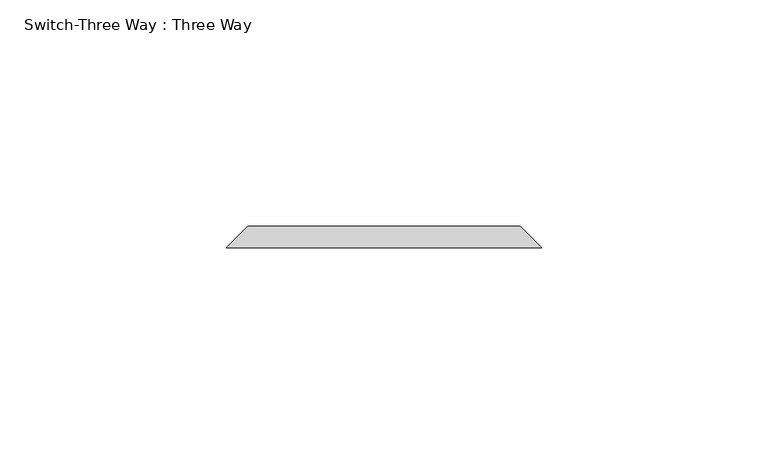
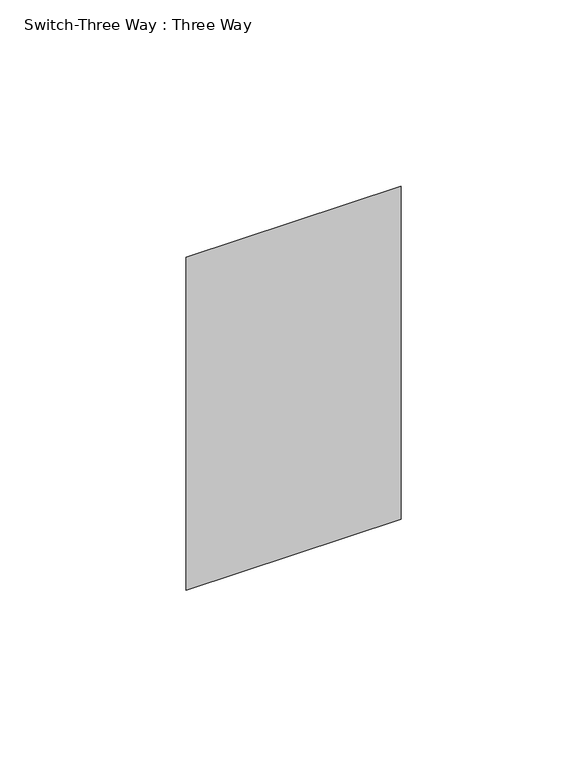
"""IFC4 building model written with IfcOpenShell, lengths in millimetres: proxy geometry, Switch-Three Way : Three Way."""

from ifc_helpers import new_model, si_unit, origin, place, context, project, spatial, faceted_brep, source, transform, mapped, element, save


def switch_three_way_three_way_3dc1783d(model_context):
    return source(origin(), model_context, "Body", "Brep", [
        faceted_brep([(-30.1625, 122.2375, 1271.5875), (30.1625, 122.2375, 1271.5875), (30.1625, 122.2375, 1166.8125), (-30.1625, 122.2375, 1166.8125), (-34.925, 117.475, 1276.35), (-34.925, 117.475, 1162.05), (34.925, 117.475, 1162.05), (34.925, 117.475, 1276.35)], [[[0, 1, 2, 3]], [[4, 5, 6, 7]], [[4, 7, 1, 0]], [[7, 6, 2, 1]], [[6, 5, 3, 2]], [[5, 4, 0, 3]]]),
    ])


if __name__ == "__main__":
    model = new_model("IFC4")
    model_context = context("Model", 3, world=origin())
    ifc_project = project(units=[si_unit("LENGTHUNIT", "METRE", prefix="MILLI")], contexts=[model_context])
    site = spatial("IfcSite", under=ifc_project)
    building = spatial("IfcBuilding", under=site)
    placement = place(None, origin())
    switch_three_way_three_way_shape = switch_three_way_three_way_3dc1783d(model_context)
    element("IfcBuildingElementProxy", 1, Name="Switch-Three Way : Three Way", ObjectType="Switch-Three Way : Three Way", at=placement, inside=building, context=model_context, shape_type="MappedRepresentation", body=[
        mapped(switch_three_way_three_way_shape, transform((0.0, 0.0, 0.0), x_axis=(1.0, 0.0, 0.0), y_axis=(0.0, 1.0, 0.0), z_axis=(0.0, 0.0, 1.0))),
    ])
    save(model, "model.ifc")
